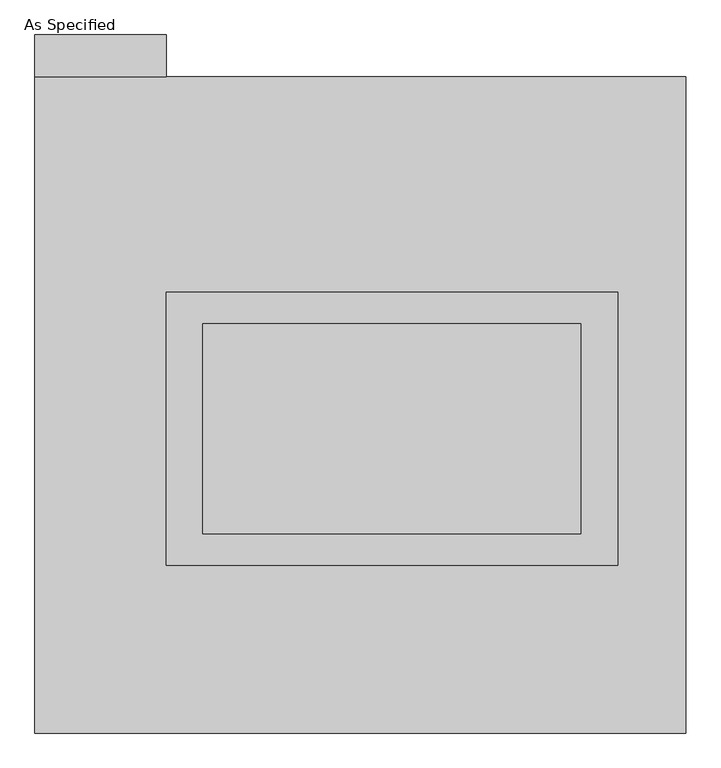
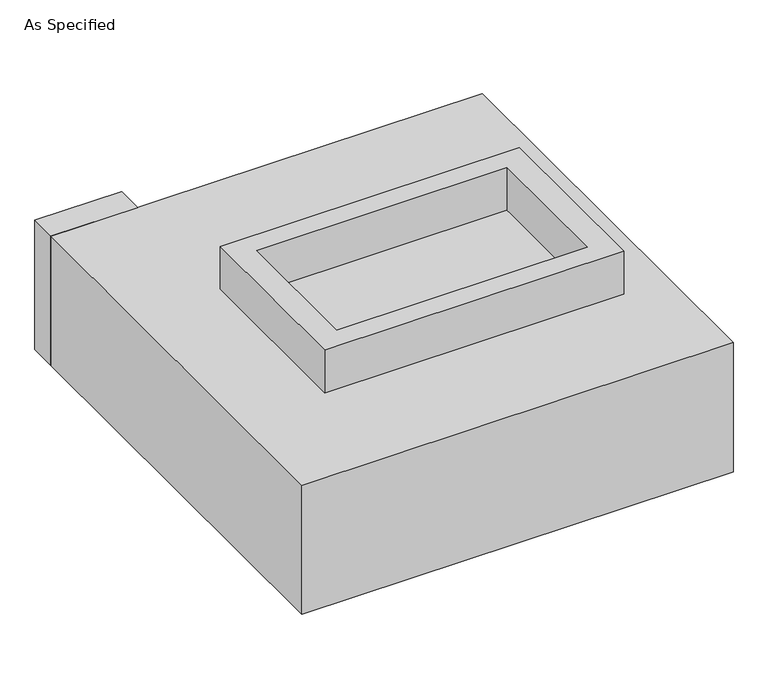
"""IFC4 building model written with IfcOpenShell, lengths in millimetres: proxy geometry, As Specified."""

from ifc_helpers import new_model, si_unit, frame, origin, place, context, project, spatial, polyline, outline, extrude, source, transform, mapped, element, save


def as_specified_cd48cccd(model_context):
    return source(origin(), model_context, "Body", "SweptSolid", [
        extrude(outline(polyline([(546.1, 273.05), (546.1, -387.35), (-546.1, -387.35), (-546.1, 273.05), (546.1, 273.05)]), holes=[polyline([(457.2, 196.85), (-457.2, 196.85), (-457.2, -311.15), (457.2, -311.15), (457.2, 196.85)])]), frame((0.0, 0.0, -688.975), z_axis=(0.0, 0.0, 1.0), x_axis=(1.0, 0.0, 0.0)), (0.0, 0.0, 1.0), 165.1),
        extrude(outline(polyline([(546.1, 273.05), (546.1, -387.35), (-546.1, -387.35), (-546.1, 273.05), (546.1, 273.05)]), holes=[polyline([(457.2, 196.85), (-457.2, 196.85), (-457.2, -311.15), (457.2, -311.15), (457.2, 196.85)])]), frame((0.0, 0.0, -25.4), z_axis=(0.0, 0.0, 1.0), x_axis=(1.0, 0.0, 0.0)), (0.0, 0.0, 1.0), 165.1),
        extrude(outline(polyline([(-546.1, 793.75), (-863.6, 793.75), (-863.6, 895.35), (-546.1, 895.35), (-546.1, 793.75)])), frame((0.0, 0.0, -523.875), z_axis=(0.0, 0.0, 1.0), x_axis=(1.0, 0.0, 0.0)), (0.0, 0.0, 1.0), 498.475),
        extrude(outline(polyline([(457.2, 196.85), (457.2, -311.15), (-457.2, -311.15), (-457.2, 196.85), (457.2, 196.85)])), frame((0.0, 0.0, -523.875), z_axis=(0.0, 0.0, 1.0), x_axis=(1.0, 0.0, 0.0)), (0.0, 0.0, 1.0), 4.9609375),
        extrude(outline(polyline([(457.2, 196.85), (457.2, -311.15), (-457.2, -311.15), (-457.2, 196.85), (457.2, 196.85)])), frame((0.0, 0.0, -30.3609375), z_axis=(0.0, 0.0, 1.0), x_axis=(1.0, 0.0, 0.0)), (0.0, 0.0, 1.0), 4.9609375),
        extrude(outline(polyline([(711.2, -793.75), (-863.6, -793.75), (-863.6, 793.75), (711.2, 793.75), (711.2, -793.75)]), holes=[polyline([(-546.1, 273.05), (-546.1, -387.35), (546.1, -387.35), (546.1, 273.05), (-546.1, 273.05)])]), frame((0.0, 0.0, -523.875), z_axis=(0.0, 0.0, 1.0), x_axis=(1.0, 0.0, 0.0)), (0.0, 0.0, 1.0), 498.475),
    ])


if __name__ == "__main__":
    model = new_model("IFC4")
    model_context = context("Model", 3, world=origin())
    ifc_project = project(units=[si_unit("LENGTHUNIT", "METRE", prefix="MILLI")], contexts=[model_context])
    site = spatial("IfcSite", under=ifc_project)
    building = spatial("IfcBuilding", under=site)
    placement = place(None, origin())
    as_specified_shape = as_specified_cd48cccd(model_context)
    element("IfcBuildingElementProxy", 1, Name="As Specified", ObjectType="As Specified", at=placement, inside=building, context=model_context, shape_type="MappedRepresentation", body=[
        mapped(as_specified_shape, transform((0.0, 0.0, 0.0), x_axis=(1.0, 0.0, 0.0), y_axis=(0.0, 1.0, 0.0), z_axis=(0.0, 0.0, 1.0))),
    ])
    save(model, "model.ifc")
